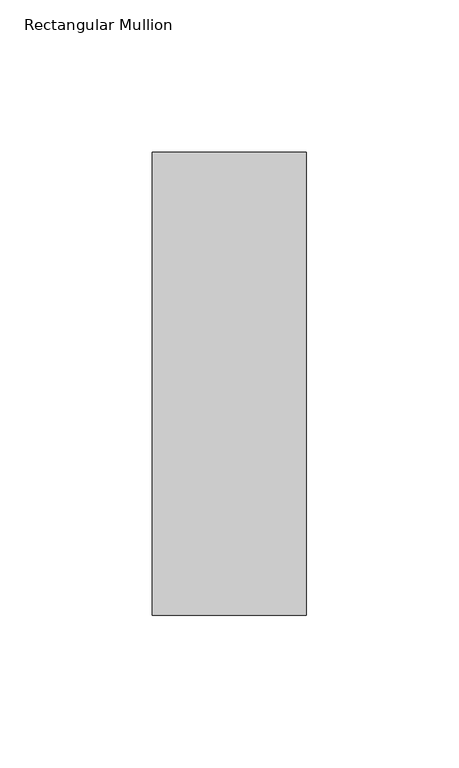
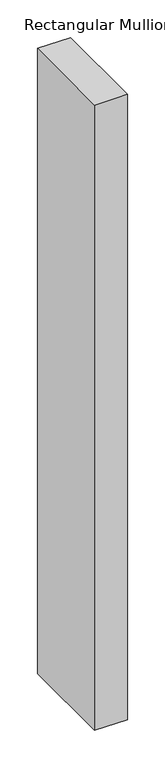
"""IFC4 building model written with IfcOpenShell, lengths in millimetres: member geometry, Rectangular Mullion."""

from ifc_helpers import new_model, si_unit, frame, origin, place, context, project, spatial, polyline, outline, extrude, source, transform, mapped, element, save


def rectangular_mullion_1a88ad8f(model_context):
    return source(origin(), model_context, "Body", "SweptSolid", [
        extrude(outline(polyline([(-50.8, 26.19375), (0.0, 26.19375), (0.0, -126.20625), (-50.8, -126.20625), (-50.8, 26.19375)])), frame((0.0, 0.0, -1016.0), z_axis=(0.0, 0.0, 1.0), x_axis=(1.0, 0.0, 0.0)), (0.0, 0.0, 1.0), 1016.0),
    ])


if __name__ == "__main__":
    model = new_model("IFC4")
    model_context = context("Model", 3, world=origin())
    ifc_project = project(units=[si_unit("LENGTHUNIT", "METRE", prefix="MILLI")], contexts=[model_context])
    site = spatial("IfcSite", under=ifc_project)
    building = spatial("IfcBuilding", under=site)
    placement = place(None, origin())
    rectangular_mullion_shape = rectangular_mullion_1a88ad8f(model_context)
    element("IfcMember", 1, ObjectType="Rectangular Mullion", at=placement, inside=building, context=model_context, shape_type="MappedRepresentation", body=[
        mapped(rectangular_mullion_shape, transform((0.0, 0.0, 0.0), x_axis=(1.0, 0.0, 0.0), y_axis=(0.0, 1.0, 0.0), z_axis=(0.0, 0.0, 1.0))),
    ])
    save(model, "model.ifc")
